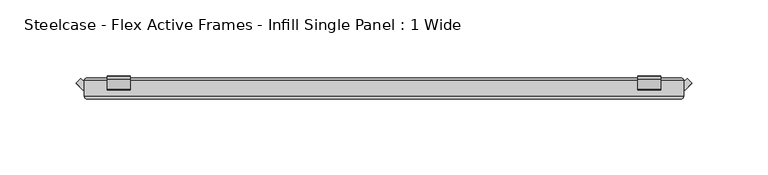
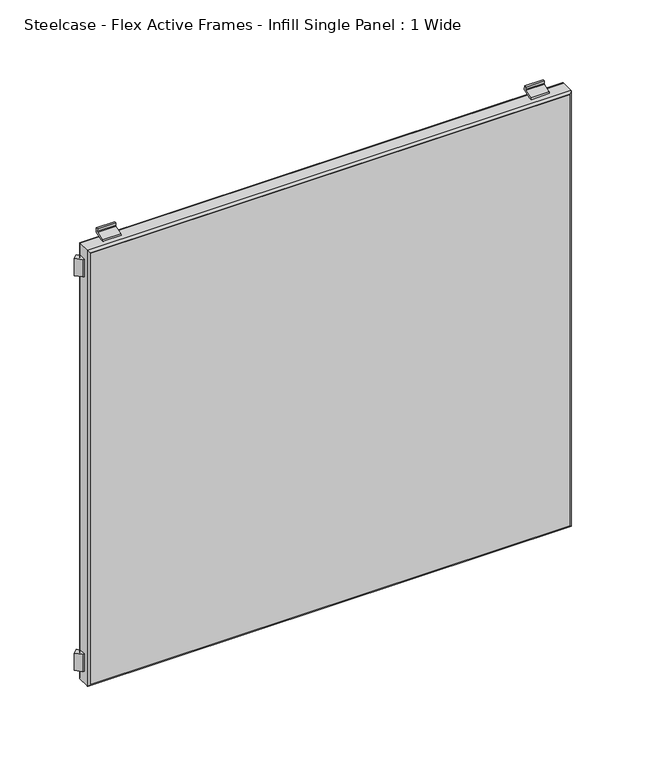
"""IFC4 building model written with IfcOpenShell, lengths in millimetres: furniture geometry, Steelcase - Flex Active Frames - Infill Single Panel : 1 Wide."""

from ifc_helpers import new_model, si_unit, point, frame, frame_2d, origin, place, context, project, spatial, polyline, circle_curve, ellipse_curve, trimmed, segment, composite_curve, outline, extrude, source, transform, mapped, element, save
from ifc_brep_helpers import plane_surface, cylinder_surface, advanced_brep


def steelcase_flex_active_frames_infill_single_panel_1_wide_61ced6fb(model_context):
    return source(origin(), model_context, "Body", "SolidModel", [
        extrude(outline(composite_curve([segment(polyline([(-5.9111802, 381.5885542), (-7.999907, 381.5885542)]), True, "CONTINUOUS"), segment(trimmed(circle_curve(frame_2d((-6.994052, 381.7229562)), 1.0147947), [point((-7.999907, 381.5885542))], [point((-7.3392807, 382.6772232))], False, "CARTESIAN"), True, "CONTINUOUS"), segment(polyline([(-7.3392807, 382.6772232), (-0.8009038, 385.0426363)]), True, "CONTINUOUS"), segment(trimmed(circle_curve(frame_2d((-1.0061566, 385.6099875)), 0.6033374), [point((-0.8009038, 385.0426363))], [point((-0.4119794, 385.7147232))], True, "CARTESIAN"), True, "CONTINUOUS"), segment(polyline([(-0.4119794, 385.7147232), (-0.7999207, 387.9155571), (0.6936424, 388.1772262), (1.2842404, 384.7316172)]), True, "CONTINUOUS"), segment(trimmed(circle_curve(frame_2d((0.6921967, 384.6301374)), 0.6006779), [point((1.2842404, 384.7316172))], [point((0.8975617, 384.065656))], False, "CARTESIAN"), True, "CONTINUOUS"), segment(polyline([(0.8975617, 384.065656), (-5.9111802, 381.5885542)]), True, "CONTINUOUS")], self_intersect=False)), frame((363.9302997, 0.0, 0.0), z_axis=(1.0, 0.0, 0.0), x_axis=(0.0, 1.0, 0.0)), (0.0, 0.0, 1.0), 15.0034447),
        extrude(outline(composite_curve([segment(polyline([(-5.9110829, 6.5887186), (0.8825145, 4.1171655)]), True, "CONTINUOUS"), segment(trimmed(circle_curve(frame_2d((0.6705511, 3.5345385)), 0.6199861), [point((0.8825145, 4.1171655))], [point((1.2816187, 3.4297567))], False, "CARTESIAN"), True, "CONTINUOUS"), segment(polyline([(1.2816187, 3.4297567), (0.6935028, -2.35e-05), (-0.7999445, 0.2616253), (-0.4077045, 2.4868687)]), True, "CONTINUOUS"), segment(trimmed(circle_curve(frame_2d((-0.9730442, 2.5865202)), 0.5740553), [point((-0.4077045, 2.4868687))], [point((-0.7777558, 3.1263368))], True, "CARTESIAN"), True, "CONTINUOUS"), segment(polyline([(-0.7777558, 3.1263368), (-7.3392807, 5.5000882)]), True, "CONTINUOUS"), segment(trimmed(circle_curve(frame_2d((-6.9941469, 6.4541073)), 1.0145294), [point((-7.3392807, 5.5000882))], [point((-7.9997063, 6.5887186))], False, "CARTESIAN"), True, "CONTINUOUS"), segment(polyline([(-7.9997063, 6.5887186), (-5.9110829, 6.5887186)]), True, "CONTINUOUS")], self_intersect=False)), frame((363.9302997, 0.0, 0.0), z_axis=(1.0, 0.0, 0.0), x_axis=(0.0, 1.0, 0.0)), (0.0, 0.0, 1.0), 15.0034447),
        extrude(outline(composite_curve([segment(polyline([(-5.9111802, 381.5885542), (-7.999907, 381.5885542)]), True, "CONTINUOUS"), segment(trimmed(circle_curve(frame_2d((-6.994052, 381.7229562)), 1.0147947), [point((-7.999907, 381.5885542))], [point((-7.3392807, 382.6772232))], False, "CARTESIAN"), True, "CONTINUOUS"), segment(polyline([(-7.3392807, 382.6772232), (-0.8009038, 385.0426363)]), True, "CONTINUOUS"), segment(trimmed(circle_curve(frame_2d((-1.0061566, 385.6099875)), 0.6033374), [point((-0.8009038, 385.0426363))], [point((-0.4119794, 385.7147232))], True, "CARTESIAN"), True, "CONTINUOUS"), segment(polyline([(-0.4119794, 385.7147232), (-0.7999207, 387.9155571), (0.6936424, 388.1772262), (1.2842404, 384.7316172)]), True, "CONTINUOUS"), segment(trimmed(circle_curve(frame_2d((0.6921967, 384.6301374)), 0.6006779), [point((1.2842404, 384.7316172))], [point((0.8975617, 384.065656))], False, "CARTESIAN"), True, "CONTINUOUS"), segment(polyline([(0.8975617, 384.065656), (-5.9111802, 381.5885542)]), True, "CONTINUOUS")], self_intersect=False)), frame((15.0199771, 0.0, 0.0), z_axis=(1.0, 0.0, 0.0), x_axis=(0.0, 1.0, 0.0)), (0.0, 0.0, 1.0), 15.0034326),
        extrude(outline(composite_curve([segment(polyline([(-5.9110829, 6.5887186), (0.8825145, 4.1171655)]), True, "CONTINUOUS"), segment(trimmed(circle_curve(frame_2d((0.6705511, 3.5345385)), 0.6199861), [point((0.8825145, 4.1171655))], [point((1.2816187, 3.4297567))], False, "CARTESIAN"), True, "CONTINUOUS"), segment(polyline([(1.2816187, 3.4297567), (0.6935028, -2.35e-05), (-0.7999445, 0.2616253), (-0.4077045, 2.4868687)]), True, "CONTINUOUS"), segment(trimmed(circle_curve(frame_2d((-0.9730442, 2.5865202)), 0.5740553), [point((-0.4077045, 2.4868687))], [point((-0.7777558, 3.1263368))], True, "CARTESIAN"), True, "CONTINUOUS"), segment(polyline([(-0.7777558, 3.1263368), (-7.3392807, 5.5000882)]), True, "CONTINUOUS"), segment(trimmed(circle_curve(frame_2d((-6.9941469, 6.4541073)), 1.0145294), [point((-7.3392807, 5.5000882))], [point((-7.9997063, 6.5887186))], False, "CARTESIAN"), True, "CONTINUOUS"), segment(polyline([(-7.9997063, 6.5887186), (-5.9110829, 6.5887186)]), True, "CONTINUOUS")], self_intersect=False)), frame((15.0199771, 0.0, 0.0), z_axis=(1.0, 0.0, 0.0), x_axis=(0.0, 1.0, 0.0)), (0.0, 0.0, 1.0), 15.0034326),
        extrude(outline(polyline([(393.954, -2.5030965), (396.1576446, -0.3282745), (399.3983382, -3.5722626), (394.9914367, -7.9998993), (393.954, -7.9998993), (393.954, -2.5030965)])), frame((0.0, 0.0, 16.6556237), z_axis=(0.0, 0.0, 1.0), x_axis=(1.0, 0.0, 0.0)), (0.0, 0.0, 1.0), 14.9643454),
        extrude(outline(polyline([(0.0, -7.9997055), (-1.0377395, -7.9997055), (-5.4446047, -3.5720566), (-2.2038989, -0.3280807), (0.0, -2.5031537), (0.0, -7.9997055)])), frame((0.0, 0.0, 16.6556237), z_axis=(0.0, 0.0, 1.0), x_axis=(1.0, 0.0, 0.0)), (0.0, 0.0, 1.0), 14.9643454),
        extrude(outline(polyline([(393.954, -2.5030965), (396.1576446, -0.3282745), (399.3983382, -3.5722626), (394.9914367, -7.9998993), (393.954, -7.9998993), (393.954, -2.5030965)])), frame((0.0, 0.0, 356.5573544), z_axis=(0.0, 0.0, 1.0), x_axis=(1.0, 0.0, 0.0)), (0.0, 0.0, 1.0), 14.9650265),
        extrude(outline(polyline([(0.0, -7.9997055), (-1.0377395, -7.9997055), (-5.4446047, -3.5720566), (-2.2038989, -0.3280807), (0.0, -2.5031537), (0.0, -7.9997055)])), frame((0.0, 0.0, 356.5573544), z_axis=(0.0, 0.0, 1.0), x_axis=(1.0, 0.0, 0.0)), (0.0, 0.0, 1.0), 14.9650265),
        extrude(outline(polyline([(392.0215623, -13.9997269), (1.9324377, -13.9997269), (1.9324377, 0.0), (392.0215623, 0.0), (392.0215623, -13.9997269)])), frame((0.0, 0.0, 8.5211562), z_axis=(0.0, 0.0, 1.0), x_axis=(1.0, 0.0, 0.0)), (0.0, 0.0, 1.0), 371.1349603),
        advanced_brep(
        [(0.0, -12.0672892, 381.5885542), (0.0, -1.9324377, 381.5885542), (0.0, -1.9324377, 6.5887186), (0.0, -12.0672892, 6.5887186), (1.9324377, 0.0, 379.6561165), (1.9324377, -13.9997269, 379.6561165), (1.9324377, -13.9997269, 8.5211562), (1.9324377, 0.0, 8.5211562), (393.954, -1.9324377, 6.5887186), (393.954, -12.0672892, 6.5887186), (392.0215623, -13.9997269, 8.5211562), (392.0215623, 0.0, 8.5211562), (393.954, -1.9324377, 381.5885542), (393.954, -12.0672892, 381.5885542), (392.0215623, -13.9997269, 379.6561165), (392.0215623, 0.0, 379.6561165)],
        [
            (0, 1),
            (1, 2),
            (2, 3),
            (3, 0),
            (4, 5),
            (5, 6),
            (6, 7),
            (7, 4),
            (2, 8),
            (8, 9),
            (9, 3),
            (6, 10),
            (10, 11),
            (11, 7),
            (8, 12),
            (12, 13),
            (13, 9),
            (10, 14),
            (14, 15),
            (15, 11),
            (12, 1),
            (0, 13),
            (14, 5),
            (4, 15),
            (1, 4, ellipse_curve(frame((1.9324377, -1.9324377, 379.6561165), z_axis=(-0.7071067811865475, 0.0, -0.7071067811865475), x_axis=(-0.7071067811865474, 0.0, 0.7071067811865476)), 2.7328796, 1.9324377)),
            (7, 2, ellipse_curve(frame((1.9324377, -1.9324377, 8.5211562), z_axis=(-0.7071067811865475, 0.0, 0.7071067811865475), x_axis=(0.7071067811865474, 0.0, 0.7071067811865476)), 2.7328796, 1.9324377)),
            (5, 0, ellipse_curve(frame((1.9324377, -12.0672892, 379.6561165), z_axis=(-0.7071067811865475, 0.0, -0.7071067811865475), x_axis=(-0.7071067811865474, 0.0, 0.7071067811865476)), 2.7328796, 1.9324377)),
            (3, 6, ellipse_curve(frame((1.9324377, -12.0672892, 8.5211562), z_axis=(-0.7071067811865475, 0.0, 0.7071067811865475), x_axis=(0.7071067811865474, 0.0, 0.7071067811865476)), 2.7328796, 1.9324377)),
            (11, 8, ellipse_curve(frame((392.0215623, -1.9324377, 8.5211562), z_axis=(-0.7071067811865475, 0.0, -0.7071067811865475), x_axis=(-0.7071067811865476, 0.0, 0.7071067811865474)), 2.7328796, 1.9324377)),
            (9, 10, ellipse_curve(frame((392.0215623, -12.0672892, 8.5211562), z_axis=(-0.7071067811865475, 0.0, -0.7071067811865475), x_axis=(-0.7071067811865476, 0.0, 0.7071067811865474)), 2.7328796, 1.9324377)),
            (15, 12, ellipse_curve(frame((392.0215623, -1.9324377, 379.6561165), z_axis=(0.7071067811865475, 0.0, -0.7071067811865475), x_axis=(-0.7071067811865474, 0.0, -0.7071067811865476)), 2.7328796, 1.9324377)),
            (13, 14, ellipse_curve(frame((392.0215623, -12.0672892, 379.6561165), z_axis=(0.7071067811865475, 0.0, -0.7071067811865475), x_axis=(-0.7071067811865474, 0.0, -0.7071067811865476)), 2.7328796, 1.9324377)),
        ],
        [
            plane_surface(frame((0.0, -1.9324377, 381.5885542), z_axis=(-1.0, 0.0, 0.0), x_axis=(0.0, 0.0, -1.0))),
            plane_surface(frame((1.9324377, -13.9997269, 379.6561165), z_axis=(1.0, 0.0, 0.0), x_axis=(0.0, 0.0, -1.0))),
            plane_surface(frame((0.0, -1.9324377, 6.5887186), z_axis=(0.0, 0.0, -1.0), x_axis=(1.0, 0.0, 0.0))),
            plane_surface(frame((1.9324377, -13.9997269, 8.5211562), z_axis=(0.0, 0.0, 1.0), x_axis=(1.0, 0.0, 0.0))),
            plane_surface(frame((393.954, -1.9324377, 6.5887186), z_axis=(1.0, 0.0, 0.0), x_axis=(0.0, 0.0, 1.0))),
            plane_surface(frame((392.0215623, -13.9997269, 8.5211562), z_axis=(-1.0, 0.0, 0.0), x_axis=(0.0, 0.0, 1.0))),
            plane_surface(frame((393.954, -1.9324377, 381.5885542), z_axis=(0.0, 0.0, 1.0), x_axis=(-1.0, 0.0, 0.0))),
            plane_surface(frame((392.0215623, -13.9997269, 379.6561165), z_axis=(0.0, 0.0, -1.0), x_axis=(-1.0, 0.0, 0.0))),
            cylinder_surface(frame((1.9324377, -1.9324377, 381.5885542), z_axis=(0.0, 0.0, 1.0), x_axis=(1.0, 0.0, 0.0)), 1.9324377),
            cylinder_surface(frame((1.9324377, -12.0672892, 381.5885542), z_axis=(0.0, 0.0, 1.0), x_axis=(1.0, 0.0, 0.0)), 1.9324377),
            cylinder_surface(frame((0.0, -1.9324377, 8.5211562), z_axis=(-1.0, 0.0, 0.0), x_axis=(0.0, 0.0, 1.0)), 1.9324377),
            cylinder_surface(frame((0.0, -12.0672892, 8.5211562), z_axis=(-1.0, 0.0, 0.0), x_axis=(0.0, 0.0, 1.0)), 1.9324377),
            cylinder_surface(frame((392.0215623, -1.9324377, 6.5887186), z_axis=(0.0, 0.0, -1.0), x_axis=(-1.0, 0.0, 0.0)), 1.9324377),
            cylinder_surface(frame((392.0215623, -12.0672892, 6.5887186), z_axis=(0.0, 0.0, -1.0), x_axis=(-1.0, 0.0, 0.0)), 1.9324377),
            cylinder_surface(frame((393.954, -1.9324377, 379.6561165), z_axis=(1.0, 0.0, 0.0), x_axis=(0.0, 0.0, -1.0)), 1.9324377),
            cylinder_surface(frame((393.954, -12.0672892, 379.6561165), z_axis=(1.0, 0.0, 0.0), x_axis=(0.0, 0.0, -1.0)), 1.9324377),
        ],
        [
            (0, [[1, 2, 3, 4]]),
            (1, [[5, 6, 7, 8]]),
            (2, [[-3, 9, 10, 11]]),
            (3, [[-7, 12, 13, 14]]),
            (4, [[-10, 15, 16, 17]]),
            (5, [[-13, 18, 19, 20]]),
            (6, [[-16, 21, -1, 22]]),
            (7, [[-19, 23, -5, 24]]),
            (8, [[25, -8, 26, -2]]),
            (9, [[27, -4, 28, -6]]),
            (10, [[-26, -14, 29, -9]]),
            (11, [[-28, -11, 30, -12]]),
            (12, [[-29, -20, 31, -15]]),
            (13, [[-30, -17, 32, -18]]),
            (14, [[-31, -24, -25, -21]]),
            (15, [[-32, -22, -27, -23]]),
        ],
    ),
    ])


if __name__ == "__main__":
    model = new_model("IFC4")
    model_context = context("Model", 3, world=origin())
    ifc_project = project(units=[si_unit("LENGTHUNIT", "METRE", prefix="MILLI")], contexts=[model_context])
    site = spatial("IfcSite", under=ifc_project)
    building = spatial("IfcBuilding", under=site)
    placement = place(None, origin())
    steelcase_flex_active_frames_infill_single_panel_1_wide_shape = steelcase_flex_active_frames_infill_single_panel_1_wide_61ced6fb(model_context)
    element("IfcFurniture", 1, ObjectType="Steelcase - Flex Active Frames - Infill Single Panel : 1 Wide", at=placement, inside=building, context=model_context, shape_type="MappedRepresentation", body=[
        mapped(steelcase_flex_active_frames_infill_single_panel_1_wide_shape, transform((0.0, 0.0, 0.0), x_axis=(1.0, 0.0, 0.0), y_axis=(0.0, 1.0, 0.0), z_axis=(0.0, 0.0, 1.0))),
    ])
    save(model, "model.ifc")
